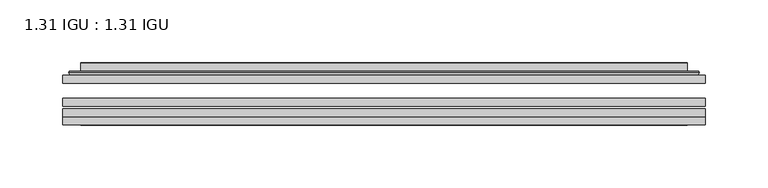
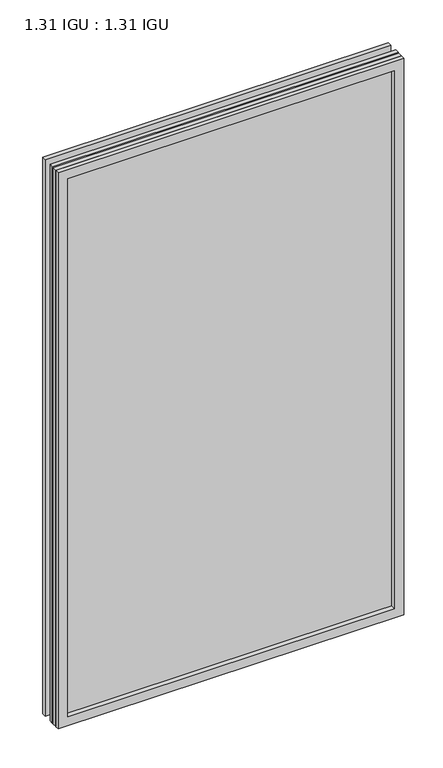
"""IFC4 building model written with IfcOpenShell, lengths in millimetres: plate geometry, 1.31 IGU : 1.31 IGU."""

from ifc_helpers import new_model, si_unit, frame, origin, place, context, project, spatial, polyline, ellipse_curve, outline, extrude, faceted_brep, source, transform, mapped, element, save
from ifc_brep_helpers import plane_surface, cylinder_surface, advanced_brep


def plate_1_31_igu_1_31_igu_dc3b3716(model_context):
    return source(origin(), model_context, "Body", "SolidModel", [
        extrude(outline(polyline([(255.601675, -63.59525), (255.601675, -69.94525), (-255.5875, -69.94525), (-255.5875, -63.59525), (255.601675, -63.59525)])), frame((0.0, 0.0, -14.2875), z_axis=(0.0, 0.0, 1.0), x_axis=(1.0, 0.0, 0.0)), (0.0, 0.0, 1.0), 869.9537979),
        extrude(outline(polyline([(-255.5875, -78.58125), (-255.5875, -72.230745), (255.601675, -72.230745), (255.601675, -78.58125), (-255.5875, -78.58125)])), frame((0.0, 0.0, -14.2875), z_axis=(0.0, 0.0, 1.0), x_axis=(1.0, 0.0, 0.0)), (0.0, 0.0, 1.0), 869.9537979),
        extrude(outline(polyline([(255.601675, -45.25645), (255.601675, -51.60645), (-255.5875, -51.60645), (-255.5875, -45.25645), (255.601675, -45.25645)])), frame((0.0, 0.0, -14.2875), z_axis=(0.0, 0.0, 1.0), x_axis=(1.0, 0.0, 0.0)), (0.0, 0.0, 1.0), 869.9537979),
        faceted_brep([(-255.6002, -84.93125, 855.6752), (-255.6002, -78.58125, 855.6752), (-255.6002, -78.58125, -14.3002), (-255.6002, -84.93125, -14.3002), (255.6002, -78.58125, -14.3002), (255.6002, -84.93125, -14.3002), (255.6002, -78.58125, 855.6752), (255.6002, -84.93125, 855.6752), (-240.4022559, -78.58125, 0.8977441), (240.4022559, -78.58125, 0.8977441), (240.4022559, -78.58125, 840.4772559), (-240.4022559, -78.58125, 840.4772559), (-241.2946902, -84.93125, 841.3696902), (241.2946902, -84.93125, 841.3696902), (241.2946902, -84.93125, 0.0053098), (-241.2946902, -84.93125, 0.0053098)], [[[0, 1, 2, 3]], [[3, 2, 4, 5]], [[5, 4, 6, 7]], [[1, 6, 4, 2], [8, 9, 10, 11]], [[7, 6, 1, 0]], [[3, 5, 7, 0], [12, 13, 14, 15]], [[11, 12, 15, 8]], [[8, 15, 14, 9]], [[9, 14, 13, 10]], [[10, 13, 12, 11]]]),
        advanced_brep(
        [(-248.346219, -45.25645, 848.4212191), (-250.7004244, -43.2667833, 850.7754244), (-250.7004244, -43.2667833, -9.4004244), (-248.346219, -45.25645, -7.046219), (-239.2718939, -41.416413, 839.3468939), (-234.3370621, -45.25645, 834.4120621), (-234.3370621, -45.25645, 6.9629379), (-239.2718939, -41.416413, 2.0281061), (-240.3039217, -36.0191819, 840.3789217), (-240.3039217, -36.0191819, 0.9960783), (-241.2945784, -35.6202069, 841.3695784), (-241.2945784, -35.6202069, 0.0054216), (-241.2945784, -42.08145, 841.3695784), (-241.2945784, -42.08145, 0.0054216), (-249.6986349, -42.08145, 849.7736349), (-249.6986349, -42.08145, -8.3986349), (250.7004244, -43.2667833, -9.4004244), (248.346219, -45.25645, -7.046219), (234.3370621, -45.25645, 6.9629379), (239.2718939, -41.416413, 2.0281061), (240.3039217, -36.0191819, 0.9960783), (241.2945784, -35.6202069, 0.0054216), (241.2945784, -42.08145, 0.0054216), (249.6986349, -42.08145, -8.3986349), (250.7004244, -43.2667833, 850.7754244), (248.346219, -45.25645, 848.4212191), (234.3370621, -45.25645, 834.4120621), (239.2718939, -41.416413, 839.3468939), (240.3039217, -36.0191819, 840.3789217), (241.2945784, -35.6202069, 841.3695784), (241.2945784, -42.08145, 841.3695784), (249.6986349, -42.08145, 849.7736349)],
        [
            (0, 1, ellipse_curve(frame((-248.346219, -42.86885, 848.4212191), z_axis=(-0.7071067811865475, 0.0, -0.7071067811865475), x_axis=(-0.7071067811865474, 0.0, 0.7071067811865476)), 3.3765763, 2.3876)),
            (1, 2),
            (2, 3, ellipse_curve(frame((-248.346219, -42.86885, -7.046219), z_axis=(-0.7071067811865475, 0.0, 0.7071067811865475), x_axis=(0.7071067811865474, 0.0, 0.7071067811865476)), 3.3765763, 2.3876)),
            (3, 0),
            (4, 5),
            (5, 6),
            (6, 7),
            (7, 4),
            (8, 4),
            (7, 9),
            (9, 8),
            (10, 8, ellipse_curve(frame((-240.9276219, -36.1384423, 841.0026219), z_axis=(-0.7071067811865475, 0.0, -0.7071067811865475), x_axis=(-0.7071067811865474, 0.0, 0.7071067811865476)), 0.8980256, 0.635)),
            (9, 11, ellipse_curve(frame((-240.9276219, -36.1384423, 0.3723781), z_axis=(-0.7071067811865475, 0.0, 0.7071067811865475), x_axis=(0.7071067811865474, 0.0, 0.7071067811865476)), 0.8980256, 0.635)),
            (11, 10),
            (12, 10),
            (11, 13),
            (13, 12),
            (1, 14, ellipse_curve(frame((-249.6986349, -43.09745, 849.7736349), z_axis=(-0.7071067811865475, 0.0, -0.7071067811865475), x_axis=(-0.7071067811865474, 0.0, 0.7071067811865476)), 1.436841, 1.016)),
            (14, 15),
            (15, 2, ellipse_curve(frame((-249.6986349, -43.09745, -8.3986349), z_axis=(-0.7071067811865475, 0.0, 0.7071067811865475), x_axis=(0.7071067811865474, 0.0, 0.7071067811865476)), 1.436841, 1.016)),
            (2, 16),
            (16, 17, ellipse_curve(frame((248.346219, -42.86885, -7.046219), z_axis=(-0.7071067811865475, 0.0, -0.7071067811865475), x_axis=(-0.7071067811865476, 0.0, 0.7071067811865474)), 3.3765763, 2.3876)),
            (17, 3),
            (6, 18),
            (18, 19),
            (19, 7),
            (19, 20),
            (20, 9),
            (20, 21, ellipse_curve(frame((240.9276219, -36.1384423, 0.3723781), z_axis=(-0.7071067811865475, 0.0, -0.7071067811865475), x_axis=(-0.7071067811865476, 0.0, 0.7071067811865474)), 0.8980256, 0.635)),
            (21, 11),
            (21, 22),
            (22, 13),
            (15, 23),
            (23, 16, ellipse_curve(frame((249.6986349, -43.09745, -8.3986349), z_axis=(-0.7071067811865475, 0.0, -0.7071067811865475), x_axis=(-0.7071067811865476, 0.0, 0.7071067811865474)), 1.436841, 1.016)),
            (16, 24),
            (24, 25, ellipse_curve(frame((248.346219, -42.86885, 848.4212191), z_axis=(0.7071067811865475, 0.0, -0.7071067811865475), x_axis=(-0.7071067811865474, 0.0, -0.7071067811865476)), 3.3765763, 2.3876)),
            (25, 17),
            (18, 26),
            (26, 27),
            (27, 19),
            (27, 28),
            (28, 20),
            (28, 29, ellipse_curve(frame((240.9276219, -36.1384423, 841.0026219), z_axis=(0.7071067811865475, 0.0, -0.7071067811865475), x_axis=(-0.7071067811865474, 0.0, -0.7071067811865476)), 0.8980256, 0.635)),
            (29, 21),
            (29, 30),
            (30, 22),
            (23, 31),
            (31, 24, ellipse_curve(frame((249.6986349, -43.09745, 849.7736349), z_axis=(0.7071067811865475, 0.0, -0.7071067811865475), x_axis=(-0.7071067811865474, 0.0, -0.7071067811865476)), 1.436841, 1.016)),
            (24, 1),
            (0, 25),
            (5, 26),
            (4, 27),
            (8, 28),
            (10, 29),
            (12, 30),
            (14, 31),
        ],
        [
            cylinder_surface(frame((-248.346219, -42.86885, 873.125), z_axis=(0.0, 0.0, 1.0), x_axis=(-1.0, 0.0, 0.0)), 2.3876),
            plane_surface(frame((-234.3370621, -45.25645, 834.4120621), z_axis=(0.6141233906514794, 0.7892100234124821, 0.0), x_axis=(0.0, 0.0, -1.0))),
            plane_surface(frame((-239.2718939, -41.416413, 839.3468939), z_axis=(0.9822050625507729, 0.18781164793386076, 0.0), x_axis=(0.0, 0.0, -1.0))),
            cylinder_surface(frame((-240.9276219, -36.1384423, 873.125), z_axis=(0.0, 0.0, 1.0), x_axis=(-1.0, 0.0, 0.0)), 0.635),
            plane_surface(frame((-241.2945784, -35.6202069, 841.3695784), z_axis=(-1.0, 0.0, 0.0), x_axis=(0.0, 0.0, -1.0))),
            cylinder_surface(frame((-249.6986349, -43.09745, 873.125), z_axis=(0.0, 0.0, 1.0), x_axis=(-1.0, 0.0, 0.0)), 1.016),
            cylinder_surface(frame((-273.05, -42.86885, -7.046219), z_axis=(-1.0, 0.0, 0.0), x_axis=(0.0, 0.0, -1.0)), 2.3876),
            plane_surface(frame((-234.3370621, -45.25645, 6.9629379), z_axis=(0.0, 0.7892100234124841, 0.6141233906514768), x_axis=(1.0, 0.0, 0.0))),
            plane_surface(frame((-239.2718939, -41.416413, 2.0281061), z_axis=(0.0, 0.18781164793386393, 0.9822050625507723), x_axis=(1.0, 0.0, 0.0))),
            cylinder_surface(frame((-273.05, -36.1384423, 0.3723781), z_axis=(-1.0, 0.0, 0.0), x_axis=(0.0, 0.0, -1.0)), 0.635),
            plane_surface(frame((-241.2945784, -35.6202069, 0.0054216), z_axis=(0.0, 0.0, -1.0), x_axis=(1.0, 0.0, 0.0))),
            cylinder_surface(frame((-273.05, -43.09745, -8.3986349), z_axis=(-1.0, 0.0, 0.0), x_axis=(0.0, 0.0, -1.0)), 1.016),
            cylinder_surface(frame((248.346219, -42.86885, -31.75), z_axis=(0.0, 0.0, -1.0), x_axis=(1.0, 0.0, 0.0)), 2.3876),
            plane_surface(frame((234.3370621, -45.25645, 6.9629379), z_axis=(-0.6141233906514743, 0.7892100234124861, 0.0), x_axis=(0.0, 0.0, 1.0))),
            plane_surface(frame((239.2718939, -41.416413, 2.0281061), z_axis=(-0.9822050625507718, 0.1878116479338671, 0.0), x_axis=(0.0, 0.0, 1.0))),
            cylinder_surface(frame((240.9276219, -36.1384423, -31.75), z_axis=(0.0, 0.0, -1.0), x_axis=(1.0, 0.0, 0.0)), 0.635),
            plane_surface(frame((241.2945784, -35.6202069, 0.0054216), z_axis=(1.0, 0.0, 0.0), x_axis=(0.0, 0.0, 1.0))),
            cylinder_surface(frame((249.6986349, -43.09745, -31.75), z_axis=(0.0, 0.0, -1.0), x_axis=(1.0, 0.0, 0.0)), 1.016),
            cylinder_surface(frame((273.05, -42.86885, 848.4212191), z_axis=(1.0, 0.0, 0.0), x_axis=(0.0, 0.0, 1.0)), 2.3876),
            plane_surface(frame((248.346219, -45.25645, 848.4212191), z_axis=(0.0, -1.0, 0.0), x_axis=(-1.0, 0.0, 0.0))),
            plane_surface(frame((234.3370621, -45.25645, 834.4120621), z_axis=(0.0, 0.7892100234124841, -0.6141233906514768), x_axis=(-1.0, 0.0, 0.0))),
            plane_surface(frame((239.2718939, -41.416413, 839.3468939), z_axis=(0.0, 0.18781164793386393, -0.9822050625507723), x_axis=(-1.0, 0.0, 0.0))),
            cylinder_surface(frame((273.05, -36.1384423, 841.0026219), z_axis=(1.0, 0.0, 0.0), x_axis=(0.0, 0.0, 1.0)), 0.635),
            plane_surface(frame((241.2945784, -35.6202069, 841.3695784), z_axis=(0.0, 0.0, 1.0), x_axis=(-1.0, 0.0, 0.0))),
            plane_surface(frame((241.2945784, -42.08145, 841.3695784), z_axis=(0.0, 1.0, 0.0), x_axis=(-1.0, 0.0, 0.0))),
            cylinder_surface(frame((273.05, -43.09745, 849.7736349), z_axis=(1.0, 0.0, 0.0), x_axis=(0.0, 0.0, 1.0)), 1.016),
        ],
        [
            (0, [[1, 2, 3, 4]]),
            (1, [[5, 6, 7, 8]]),
            (2, [[9, -8, 10, 11]]),
            (3, [[12, -11, 13, 14]]),
            (4, [[15, -14, 16, 17]]),
            (5, [[18, 19, 20, -2]]),
            (6, [[-3, 21, 22, 23]]),
            (7, [[-7, 24, 25, 26]]),
            (8, [[-10, -26, 27, 28]]),
            (9, [[-13, -28, 29, 30]]),
            (10, [[-16, -30, 31, 32]]),
            (11, [[-20, 33, 34, -21]]),
            (12, [[-22, 35, 36, 37]]),
            (13, [[-25, 38, 39, 40]]),
            (14, [[-27, -40, 41, 42]]),
            (15, [[-29, -42, 43, 44]]),
            (16, [[-31, -44, 45, 46]]),
            (17, [[-34, 47, 48, -35]]),
            (18, [[-36, 49, -1, 50]]),
            (19, [[-23, -37, -50, -4], [51, -38, -24, -6]]),
            (20, [[-39, -51, -5, 52]]),
            (21, [[-41, -52, -9, 53]]),
            (22, [[-43, -53, -12, 54]]),
            (23, [[-45, -54, -15, 55]]),
            (24, [[56, -47, -33, -19], [-32, -46, -55, -17]]),
            (25, [[-48, -56, -18, -49]]),
        ],
    ),
    ])


if __name__ == "__main__":
    model = new_model("IFC4")
    model_context = context("Model", 3, world=origin())
    ifc_project = project(units=[si_unit("LENGTHUNIT", "METRE", prefix="MILLI")], contexts=[model_context])
    site = spatial("IfcSite", under=ifc_project)
    building = spatial("IfcBuilding", under=site)
    placement = place(None, origin())
    plate_1_31_igu_1_31_igu_shape = plate_1_31_igu_1_31_igu_dc3b3716(model_context)
    element("IfcPlate", 1, ObjectType="1.31 IGU : 1.31 IGU", at=placement, inside=building, context=model_context, shape_type="MappedRepresentation", body=[
        mapped(plate_1_31_igu_1_31_igu_shape, transform((0.0, 0.0, 0.0), x_axis=(1.0, 0.0, 0.0), y_axis=(0.0, 1.0, 0.0), z_axis=(0.0, 0.0, 1.0))),
    ])
    save(model, "model.ifc")
